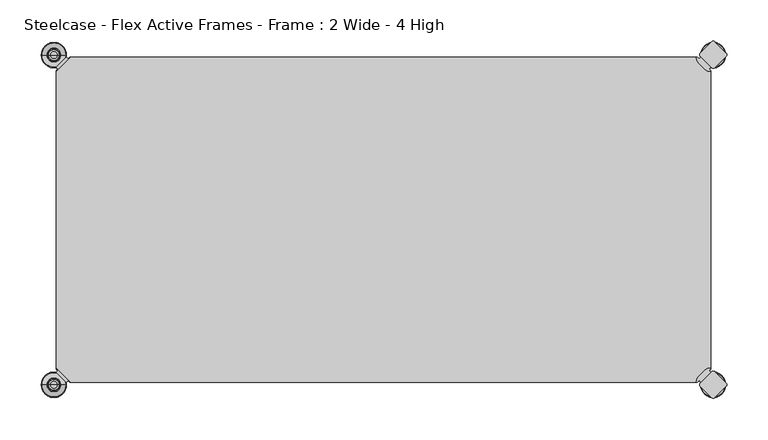
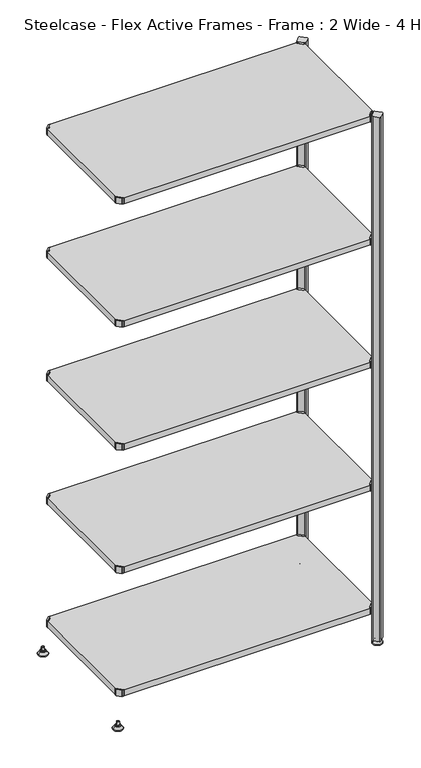
"""IFC4 building model written with IfcOpenShell, lengths in millimetres: furniture geometry, Steelcase - Flex Active Frames - Frame : 2 Wide - 4 High."""

from ifc_helpers import new_model, si_unit, point, frame, frame_2d, origin, place, context, project, spatial, polyline, circle_curve, ellipse_curve, trimmed, segment, composite_curve, outline, extrude, source, transform, mapped, element, save
from ifc_brep_helpers import plane_surface, cylinder_surface, revolved_surface, advanced_brep


def steelcase_flex_active_frames_frame_2_wide_4_high_a52f3125(model_context):
    return source(origin(), model_context, "Body", "SolidModel", [
        advanced_brep(
        [(795.4995166, -396.9286835, 0.0), (809.4482375, -396.9286835, 0.0), (781.5507958, -396.9286835, 0.0), (810.3951451, -396.9286835, 2.116325), (780.6038882, -396.9286835, 2.116325), (804.2429012, -396.9286835, 8.9997406), (786.7561321, -396.9286835, 8.9997406), (802.9003852, -396.9286835, 8.9997406), (788.0986481, -396.9286835, 8.9997406), (802.9003852, -396.9286835, 12.0919909), (788.0986481, -396.9286835, 12.0919909), (802.3923852, -396.9286835, 12.5999909), (788.6066481, -396.9286835, 12.5999909), (799.518847, -396.9286835, 12.5999909), (791.4801863, -396.9286835, 12.5999909), (799.518847, -396.9286835, 22.7146261), (791.4801863, -396.9286835, 22.7146261), (795.4995166, -396.9286835, 22.7146261)],
        [
            (0, 1),
            (1, 2, circle_curve(frame((795.4995166, -396.9286835, 0.0), z_axis=(0.0, 0.0, -1.0), x_axis=(1.0, 0.0, 0.0)), 13.9487209)),
            (2, 0),
            (2, 1, circle_curve(frame((795.4995166, -396.9286835, 0.0), z_axis=(0.0, 0.0, -1.0), x_axis=(1.0, 0.0, 0.0)), 13.9487209)),
            (1, 3, circle_curve(frame((809.4482375, -396.9286835, 1.27), z_axis=(0.0, -1.0, 0.0), x_axis=(1.0, 0.0, 0.0)), 1.27)),
            (3, 4, circle_curve(frame((795.4995166, -396.9286835, 2.116325), z_axis=(0.0, 0.0, -1.0), x_axis=(1.0, 0.0, 0.0)), 14.8956285)),
            (4, 2, circle_curve(frame((781.5507958, -396.9286835, 1.27), z_axis=(0.0, -1.0, 0.0), x_axis=(-1.0, 0.0, 0.0)), 1.27)),
            (4, 3, circle_curve(frame((795.4995166, -396.9286835, 2.116325), z_axis=(0.0, 0.0, -1.0), x_axis=(1.0, 0.0, 0.0)), 14.8956285)),
            (3, 5),
            (5, 6, circle_curve(frame((795.4995166, -396.9286835, 8.9997406), z_axis=(0.0, 0.0, -1.0), x_axis=(1.0, 0.0, 0.0)), 8.7433846)),
            (6, 4),
            (6, 5, circle_curve(frame((795.4995166, -396.9286835, 8.9997406), z_axis=(0.0, 0.0, -1.0), x_axis=(1.0, 0.0, 0.0)), 8.7433846)),
            (5, 7),
            (7, 8, circle_curve(frame((795.4995166, -396.9286835, 8.9997406), z_axis=(0.0, 0.0, -1.0), x_axis=(1.0, 0.0, 0.0)), 7.4008685)),
            (8, 6),
            (8, 7, circle_curve(frame((795.4995166, -396.9286835, 8.9997406), z_axis=(0.0, 0.0, -1.0), x_axis=(1.0, 0.0, 0.0)), 7.4008685)),
            (7, 9),
            (9, 10, circle_curve(frame((795.4995166, -396.9286835, 12.0919909), z_axis=(0.0, 0.0, -1.0), x_axis=(1.0, 0.0, 0.0)), 7.4008685)),
            (10, 8),
            (10, 9, circle_curve(frame((795.4995166, -396.9286835, 12.0919909), z_axis=(0.0, 0.0, -1.0), x_axis=(1.0, 0.0, 0.0)), 7.4008685)),
            (9, 11, circle_curve(frame((802.3923852, -396.9286835, 12.0919909), z_axis=(0.0, -1.0, 0.0), x_axis=(1.0, 0.0, 0.0)), 0.508)),
            (11, 12, circle_curve(frame((795.4995166, -396.9286835, 12.5999909), z_axis=(0.0, 0.0, -1.0), x_axis=(1.0, 0.0, 0.0)), 6.8928685)),
            (12, 10, circle_curve(frame((788.6066481, -396.9286835, 12.0919909), z_axis=(0.0, -1.0, 0.0), x_axis=(-1.0, 0.0, 0.0)), 0.508)),
            (12, 11, circle_curve(frame((795.4995166, -396.9286835, 12.5999909), z_axis=(0.0, 0.0, -1.0), x_axis=(1.0, 0.0, 0.0)), 6.8928685)),
            (11, 13),
            (13, 14, circle_curve(frame((795.4995166, -396.9286835, 12.5999909), z_axis=(0.0, 0.0, -1.0), x_axis=(1.0, 0.0, 0.0)), 4.0193303)),
            (14, 12),
            (14, 13, circle_curve(frame((795.4995166, -396.9286835, 12.5999909), z_axis=(0.0, 0.0, -1.0), x_axis=(1.0, 0.0, 0.0)), 4.0193303)),
            (13, 15),
            (15, 16, circle_curve(frame((795.4995166, -396.9286835, 22.7146261), z_axis=(0.0, 0.0, -1.0), x_axis=(1.0, 0.0, 0.0)), 4.0193303)),
            (16, 14),
            (16, 15, circle_curve(frame((795.4995166, -396.9286835, 22.7146261), z_axis=(0.0, 0.0, -1.0), x_axis=(1.0, 0.0, 0.0)), 4.0193303)),
            (15, 17),
            (17, 16),
        ],
        [
            plane_surface(frame((795.4995166, -396.9286835, 0.0), z_axis=(0.0, 0.0, -1.0), x_axis=(1.0, 0.0, 0.0))),
            revolved_surface(trimmed(ellipse_curve(frame((809.4482375, -396.9286835, 1.27), z_axis=(0.0, 1.0, 0.0), x_axis=(1.0, 0.0, 0.0)), 1.27, 1.27), [point((810.3951451, -396.9286835, 2.116325))], [point((809.4482375, -396.9286835, 0.0))], True, "CARTESIAN"), (795.4995166, -396.9286835, 32.0514718), (0.0, 0.0, -1.0)),
            revolved_surface(polyline([(804.2429012, -396.9286835, 8.9997406), (810.3951451, -396.9286835, 2.116325)]), (795.4995166, -396.9286835, 32.0514718), (0.0, 0.0, -1.0)),
            plane_surface(frame((795.4995166, -396.9286835, 8.9997406), z_axis=(0.0, 0.0, 1.0), x_axis=(1.0, 0.0, 0.0))),
            cylinder_surface(frame((795.4995166, -396.9286835, 32.0514718), z_axis=(0.0, 0.0, -1.0), x_axis=(1.0, 0.0, 0.0)), 7.4008685),
            revolved_surface(trimmed(ellipse_curve(frame((802.3923852, -396.9286835, 12.0919909), z_axis=(0.0, 1.0, 0.0), x_axis=(1.0, 0.0, 0.0)), 0.508, 0.508), [point((802.3923852, -396.9286835, 12.5999909))], [point((802.9003852, -396.9286835, 12.0919909))], True, "CARTESIAN"), (795.4995166, -396.9286835, 32.0514718), (0.0, 0.0, -1.0)),
            plane_surface(frame((795.4995166, -396.9286835, 12.5999909), z_axis=(0.0, 0.0, 1.0), x_axis=(1.0, 0.0, 0.0))),
            cylinder_surface(frame((795.4995166, -396.9286835, 32.0514718), z_axis=(0.0, 0.0, -1.0), x_axis=(1.0, 0.0, 0.0)), 4.0193303),
            plane_surface(frame((795.4995166, -396.9286835, 22.7146261), z_axis=(0.0, 0.0, 1.0), x_axis=(1.0, 0.0, 0.0))),
        ],
        [
            (0, [[1, 2, 3]]),
            (0, [[-3, 4, -1]]),
            (1, [[-2, 5, 6, 7]]),
            (1, [[-4, -7, 8, -5]]),
            (2, [[-6, 9, 10, 11]]),
            (2, [[-8, -11, 12, -9]]),
            (3, [[-10, 13, 14, 15]]),
            (3, [[-12, -15, 16, -13]]),
            (4, [[-14, 17, 18, 19]]),
            (4, [[-16, -19, 20, -17]]),
            (5, [[-18, 21, 22, 23]]),
            (5, [[-20, -23, 24, -21]]),
            (6, [[-22, 25, 26, 27]]),
            (6, [[-24, -27, 28, -25]]),
            (7, [[-26, 29, 30, 31]]),
            (7, [[-28, -31, 32, -29]]),
            (8, [[-30, 33, 34]]),
            (8, [[-32, -34, -33]]),
        ],
    ),
        advanced_brep(
        [(795.4995166, 2.9246323, 0.0), (781.5507958, 2.9246323, 0.0), (809.4482375, 2.9246323, 0.0), (780.6038882, 2.9246323, 2.116325), (810.3951451, 2.9246323, 2.116325), (786.7561321, 2.9246323, 8.9997406), (804.2429012, 2.9246323, 8.9997406), (788.0986481, 2.9246323, 8.9997406), (802.9003852, 2.9246323, 8.9997406), (788.0986481, 2.9246323, 12.0919909), (802.9003852, 2.9246323, 12.0919909), (788.6066481, 2.9246323, 12.5999909), (802.3923852, 2.9246323, 12.5999909), (791.4801863, 2.9246323, 12.5999909), (799.518847, 2.9246323, 12.5999909), (791.4801863, 2.9246323, 22.7146261), (799.518847, 2.9246323, 22.7146261), (795.4995166, 2.9246323, 22.7146261)],
        [
            (0, 1),
            (1, 2, circle_curve(frame((795.4995166, 2.9246323, 0.0), z_axis=(0.0, 0.0, -1.0), x_axis=(1.0, 0.0, 0.0)), 13.9487209)),
            (2, 0),
            (2, 1, circle_curve(frame((795.4995166, 2.9246323, 0.0), z_axis=(0.0, 0.0, -1.0), x_axis=(1.0, 0.0, 0.0)), 13.9487209)),
            (1, 3, circle_curve(frame((781.5507958, 2.9246323, 1.27), z_axis=(0.0, 1.0, 0.0), x_axis=(-1.0, 0.0, 0.0)), 1.27)),
            (3, 4, circle_curve(frame((795.4995166, 2.9246323, 2.116325), z_axis=(0.0, 0.0, -1.0), x_axis=(1.0, 0.0, 0.0)), 14.8956285)),
            (4, 2, circle_curve(frame((809.4482375, 2.9246323, 1.27), z_axis=(0.0, 1.0, 0.0), x_axis=(1.0, 0.0, 0.0)), 1.27)),
            (4, 3, circle_curve(frame((795.4995166, 2.9246323, 2.116325), z_axis=(0.0, 0.0, -1.0), x_axis=(1.0, 0.0, 0.0)), 14.8956285)),
            (3, 5),
            (5, 6, circle_curve(frame((795.4995166, 2.9246323, 8.9997406), z_axis=(0.0, 0.0, -1.0), x_axis=(1.0, 0.0, 0.0)), 8.7433846)),
            (6, 4),
            (6, 5, circle_curve(frame((795.4995166, 2.9246323, 8.9997406), z_axis=(0.0, 0.0, -1.0), x_axis=(1.0, 0.0, 0.0)), 8.7433846)),
            (5, 7),
            (7, 8, circle_curve(frame((795.4995166, 2.9246323, 8.9997406), z_axis=(0.0, 0.0, -1.0), x_axis=(1.0, 0.0, 0.0)), 7.4008685)),
            (8, 6),
            (8, 7, circle_curve(frame((795.4995166, 2.9246323, 8.9997406), z_axis=(0.0, 0.0, -1.0), x_axis=(1.0, 0.0, 0.0)), 7.4008685)),
            (7, 9),
            (9, 10, circle_curve(frame((795.4995166, 2.9246323, 12.0919909), z_axis=(0.0, 0.0, -1.0), x_axis=(1.0, 0.0, 0.0)), 7.4008685)),
            (10, 8),
            (10, 9, circle_curve(frame((795.4995166, 2.9246323, 12.0919909), z_axis=(0.0, 0.0, -1.0), x_axis=(1.0, 0.0, 0.0)), 7.4008685)),
            (9, 11, circle_curve(frame((788.6066481, 2.9246323, 12.0919909), z_axis=(0.0, 1.0, 0.0), x_axis=(-1.0, 0.0, 0.0)), 0.508)),
            (11, 12, circle_curve(frame((795.4995166, 2.9246323, 12.5999909), z_axis=(0.0, 0.0, -1.0), x_axis=(1.0, 0.0, 0.0)), 6.8928685)),
            (12, 10, circle_curve(frame((802.3923852, 2.9246323, 12.0919909), z_axis=(0.0, 1.0, 0.0), x_axis=(1.0, 0.0, 0.0)), 0.508)),
            (12, 11, circle_curve(frame((795.4995166, 2.9246323, 12.5999909), z_axis=(0.0, 0.0, -1.0), x_axis=(1.0, 0.0, 0.0)), 6.8928685)),
            (11, 13),
            (13, 14, circle_curve(frame((795.4995166, 2.9246323, 12.5999909), z_axis=(0.0, 0.0, -1.0), x_axis=(1.0, 0.0, 0.0)), 4.0193303)),
            (14, 12),
            (14, 13, circle_curve(frame((795.4995166, 2.9246323, 12.5999909), z_axis=(0.0, 0.0, -1.0), x_axis=(1.0, 0.0, 0.0)), 4.0193303)),
            (13, 15),
            (15, 16, circle_curve(frame((795.4995166, 2.9246323, 22.7146261), z_axis=(0.0, 0.0, -1.0), x_axis=(1.0, 0.0, 0.0)), 4.0193303)),
            (16, 14),
            (16, 15, circle_curve(frame((795.4995166, 2.9246323, 22.7146261), z_axis=(0.0, 0.0, -1.0), x_axis=(1.0, 0.0, 0.0)), 4.0193303)),
            (15, 17),
            (17, 16),
        ],
        [
            plane_surface(frame((795.4995166, 2.9246323, 0.0), z_axis=(0.0, 0.0, -1.0), x_axis=(1.0, 0.0, 0.0))),
            revolved_surface(trimmed(ellipse_curve(frame((809.4482375, 2.9246323, 1.27), z_axis=(0.0, 1.0, 0.0), x_axis=(1.0, 0.0, 0.0)), 1.27, 1.27), [point((810.3951451, 2.9246323, 2.116325))], [point((809.4482375, 2.9246323, 0.0))], True, "CARTESIAN"), (795.4995166, 2.9246323, 32.0514718), (0.0, 0.0, -1.0)),
            revolved_surface(polyline([(804.2429012, 2.9246323, 8.9997406), (810.3951451, 2.9246323, 2.116325)]), (795.4995166, 2.9246323, 32.0514718), (0.0, 0.0, -1.0)),
            plane_surface(frame((795.4995166, 2.9246323, 8.9997406), z_axis=(0.0, 0.0, 1.0), x_axis=(1.0, 0.0, 0.0))),
            cylinder_surface(frame((795.4995166, 2.9246323, 32.0514718), z_axis=(0.0, 0.0, -1.0), x_axis=(1.0, 0.0, 0.0)), 7.4008685),
            revolved_surface(trimmed(ellipse_curve(frame((802.3923852, 2.9246323, 12.0919909), z_axis=(0.0, 1.0, 0.0), x_axis=(1.0, 0.0, 0.0)), 0.508, 0.508), [point((802.3923852, 2.9246323, 12.5999909))], [point((802.9003852, 2.9246323, 12.0919909))], True, "CARTESIAN"), (795.4995166, 2.9246323, 32.0514718), (0.0, 0.0, -1.0)),
            plane_surface(frame((795.4995166, 2.9246323, 12.5999909), z_axis=(0.0, 0.0, 1.0), x_axis=(1.0, 0.0, 0.0))),
            cylinder_surface(frame((795.4995166, 2.9246323, 32.0514718), z_axis=(0.0, 0.0, -1.0), x_axis=(1.0, 0.0, 0.0)), 4.0193303),
            plane_surface(frame((795.4995166, 2.9246323, 22.7146261), z_axis=(0.0, 0.0, 1.0), x_axis=(1.0, 0.0, 0.0))),
        ],
        [
            (0, [[1, 2, 3]]),
            (0, [[-3, 4, -1]]),
            (1, [[5, 6, 7, -2]]),
            (1, [[-7, 8, -5, -4]]),
            (2, [[9, 10, 11, -6]]),
            (2, [[-11, 12, -9, -8]]),
            (3, [[13, 14, 15, -10]]),
            (3, [[-15, 16, -13, -12]]),
            (4, [[17, 18, 19, -14]]),
            (4, [[-19, 20, -17, -16]]),
            (5, [[21, 22, 23, -18]]),
            (5, [[-23, 24, -21, -20]]),
            (6, [[25, 26, 27, -22]]),
            (6, [[-27, 28, -25, -24]]),
            (7, [[29, 30, 31, -26]]),
            (7, [[-31, 32, -29, -28]]),
            (8, [[33, 34, -30]]),
            (8, [[-34, -33, -32]]),
        ],
    ),
        advanced_brep(
        [(-3.0195166, -396.8786323, 0.0), (10.9292042, -396.8786323, 0.0), (-16.9682375, -396.8786323, 0.0), (11.8761118, -396.8786323, 2.116325), (-17.9151451, -396.8786323, 2.116325), (5.7238679, -396.8786323, 8.9997406), (-11.7629012, -396.8786323, 8.9997406), (4.3813519, -396.8786323, 8.9997406), (-10.4203852, -396.8786323, 8.9997406), (4.3813519, -396.8786323, 12.0919909), (-10.4203852, -396.8786323, 12.0919909), (3.8733519, -396.8786323, 12.5999909), (-9.9123852, -396.8786323, 12.5999909), (0.9998137, -396.8786323, 12.5999909), (-7.038847, -396.8786323, 12.5999909), (0.9998137, -396.8786323, 22.7146261), (-7.038847, -396.8786323, 22.7146261), (-3.0195166, -396.8786323, 22.7146261)],
        [
            (0, 1),
            (1, 2, circle_curve(frame((-3.0195166, -396.8786323, 0.0), z_axis=(0.0, 0.0, -1.0), x_axis=(-1.0, 0.0, 0.0)), 13.9487209)),
            (2, 0),
            (2, 1, circle_curve(frame((-3.0195166, -396.8786323, 0.0), z_axis=(0.0, 0.0, -1.0), x_axis=(-1.0, 0.0, 0.0)), 13.9487209)),
            (1, 3, circle_curve(frame((10.9292042, -396.8786323, 1.27), z_axis=(0.0, -1.0, 0.0), x_axis=(1.0, 0.0, 0.0)), 1.27)),
            (3, 4, circle_curve(frame((-3.0195166, -396.8786323, 2.116325), z_axis=(0.0, 0.0, -1.0), x_axis=(-1.0, 0.0, 0.0)), 14.8956285)),
            (4, 2, circle_curve(frame((-16.9682375, -396.8786323, 1.27), z_axis=(0.0, -1.0, 0.0), x_axis=(-1.0, 0.0, 0.0)), 1.27)),
            (4, 3, circle_curve(frame((-3.0195166, -396.8786323, 2.116325), z_axis=(0.0, 0.0, -1.0), x_axis=(-1.0, 0.0, 0.0)), 14.8956285)),
            (3, 5),
            (5, 6, circle_curve(frame((-3.0195166, -396.8786323, 8.9997406), z_axis=(0.0, 0.0, -1.0), x_axis=(-1.0, 0.0, 0.0)), 8.7433846)),
            (6, 4),
            (6, 5, circle_curve(frame((-3.0195166, -396.8786323, 8.9997406), z_axis=(0.0, 0.0, -1.0), x_axis=(-1.0, 0.0, 0.0)), 8.7433846)),
            (5, 7),
            (7, 8, circle_curve(frame((-3.0195166, -396.8786323, 8.9997406), z_axis=(0.0, 0.0, -1.0), x_axis=(-1.0, 0.0, 0.0)), 7.4008685)),
            (8, 6),
            (8, 7, circle_curve(frame((-3.0195166, -396.8786323, 8.9997406), z_axis=(0.0, 0.0, -1.0), x_axis=(-1.0, 0.0, 0.0)), 7.4008685)),
            (7, 9),
            (9, 10, circle_curve(frame((-3.0195166, -396.8786323, 12.0919909), z_axis=(0.0, 0.0, -1.0), x_axis=(-1.0, 0.0, 0.0)), 7.4008685)),
            (10, 8),
            (10, 9, circle_curve(frame((-3.0195166, -396.8786323, 12.0919909), z_axis=(0.0, 0.0, -1.0), x_axis=(-1.0, 0.0, 0.0)), 7.4008685)),
            (9, 11, circle_curve(frame((3.8733519, -396.8786323, 12.0919909), z_axis=(0.0, -1.0, 0.0), x_axis=(1.0, 0.0, 0.0)), 0.508)),
            (11, 12, circle_curve(frame((-3.0195166, -396.8786323, 12.5999909), z_axis=(0.0, 0.0, -1.0), x_axis=(-1.0, 0.0, 0.0)), 6.8928685)),
            (12, 10, circle_curve(frame((-9.9123852, -396.8786323, 12.0919909), z_axis=(0.0, -1.0, 0.0), x_axis=(-1.0, 0.0, 0.0)), 0.508)),
            (12, 11, circle_curve(frame((-3.0195166, -396.8786323, 12.5999909), z_axis=(0.0, 0.0, -1.0), x_axis=(-1.0, 0.0, 0.0)), 6.8928685)),
            (11, 13),
            (13, 14, circle_curve(frame((-3.0195166, -396.8786323, 12.5999909), z_axis=(0.0, 0.0, -1.0), x_axis=(-1.0, 0.0, 0.0)), 4.0193303)),
            (14, 12),
            (14, 13, circle_curve(frame((-3.0195166, -396.8786323, 12.5999909), z_axis=(0.0, 0.0, -1.0), x_axis=(-1.0, 0.0, 0.0)), 4.0193303)),
            (13, 15),
            (15, 16, circle_curve(frame((-3.0195166, -396.8786323, 22.7146261), z_axis=(0.0, 0.0, -1.0), x_axis=(-1.0, 0.0, 0.0)), 4.0193303)),
            (16, 14),
            (16, 15, circle_curve(frame((-3.0195166, -396.8786323, 22.7146261), z_axis=(0.0, 0.0, -1.0), x_axis=(-1.0, 0.0, 0.0)), 4.0193303)),
            (15, 17),
            (17, 16),
        ],
        [
            plane_surface(frame((-3.0195166, -396.8786323, 0.0), z_axis=(0.0, 0.0, -1.0), x_axis=(-1.0, 0.0, 0.0))),
            revolved_surface(trimmed(ellipse_curve(frame((-16.9682375, -396.8786323, 1.27), z_axis=(0.0, -1.0, 0.0), x_axis=(-1.0, 0.0, 0.0)), 1.27, 1.27), [point((-17.9151451, -396.8786323, 2.116325))], [point((-16.9682375, -396.8786323, 0.0))], True, "CARTESIAN"), (-3.0195166, -396.8786323, 32.0514718), (0.0, 0.0, -1.0)),
            revolved_surface(polyline([(-11.7629012, -396.8786323, 8.9997406), (-17.9151451, -396.8786323, 2.116325)]), (-3.0195166, -396.8786323, 32.0514718), (0.0, 0.0, -1.0)),
            plane_surface(frame((-3.0195166, -396.8786323, 8.9997406), z_axis=(0.0, 0.0, 1.0), x_axis=(-1.0, 0.0, 0.0))),
            cylinder_surface(frame((-3.0195166, -396.8786323, 32.0514718), z_axis=(0.0, 0.0, -1.0), x_axis=(-1.0, 0.0, 0.0)), 7.4008685),
            revolved_surface(trimmed(ellipse_curve(frame((-9.9123852, -396.8786323, 12.0919909), z_axis=(0.0, -1.0, 0.0), x_axis=(-1.0, 0.0, 0.0)), 0.508, 0.508), [point((-9.9123852, -396.8786323, 12.5999909))], [point((-10.4203852, -396.8786323, 12.0919909))], True, "CARTESIAN"), (-3.0195166, -396.8786323, 32.0514718), (0.0, 0.0, -1.0)),
            plane_surface(frame((-3.0195166, -396.8786323, 12.5999909), z_axis=(0.0, 0.0, 1.0), x_axis=(-1.0, 0.0, 0.0))),
            cylinder_surface(frame((-3.0195166, -396.8786323, 32.0514718), z_axis=(0.0, 0.0, -1.0), x_axis=(-1.0, 0.0, 0.0)), 4.0193303),
            plane_surface(frame((-3.0195166, -396.8786323, 22.7146261), z_axis=(0.0, 0.0, 1.0), x_axis=(-1.0, 0.0, 0.0))),
        ],
        [
            (0, [[1, 2, 3]]),
            (0, [[-3, 4, -1]]),
            (1, [[5, 6, 7, -2]]),
            (1, [[-7, 8, -5, -4]]),
            (2, [[9, 10, 11, -6]]),
            (2, [[-11, 12, -9, -8]]),
            (3, [[13, 14, 15, -10]]),
            (3, [[-15, 16, -13, -12]]),
            (4, [[17, 18, 19, -14]]),
            (4, [[-19, 20, -17, -16]]),
            (5, [[21, 22, 23, -18]]),
            (5, [[-23, 24, -21, -20]]),
            (6, [[25, 26, 27, -22]]),
            (6, [[-27, 28, -25, -24]]),
            (7, [[29, 30, 31, -26]]),
            (7, [[-31, 32, -29, -28]]),
            (8, [[33, 34, -30]]),
            (8, [[-34, -33, -32]]),
        ],
    ),
        advanced_brep(
        [(-3.0195166, 2.9246323, 0.0), (-16.9682375, 2.9246323, 0.0), (10.9292042, 2.9246323, 0.0), (-17.9151451, 2.9246323, 2.116325), (11.8761118, 2.9246323, 2.116325), (-11.7629012, 2.9246323, 8.9997406), (5.7238679, 2.9246323, 8.9997406), (-10.4203852, 2.9246323, 8.9997406), (4.3813519, 2.9246323, 8.9997406), (-10.4203852, 2.9246323, 12.0919909), (4.3813519, 2.9246323, 12.0919909), (-9.9123852, 2.9246323, 12.5999909), (3.8733519, 2.9246323, 12.5999909), (-7.038847, 2.9246323, 12.5999909), (0.9998137, 2.9246323, 12.5999909), (-7.038847, 2.9246323, 22.7146261), (0.9998137, 2.9246323, 22.7146261), (-3.0195166, 2.9246323, 22.7146261)],
        [
            (0, 1),
            (1, 2, circle_curve(frame((-3.0195166, 2.9246323, 0.0), z_axis=(0.0, 0.0, -1.0), x_axis=(-1.0, 0.0, 0.0)), 13.9487209)),
            (2, 0),
            (2, 1, circle_curve(frame((-3.0195166, 2.9246323, 0.0), z_axis=(0.0, 0.0, -1.0), x_axis=(-1.0, 0.0, 0.0)), 13.9487209)),
            (1, 3, circle_curve(frame((-16.9682375, 2.9246323, 1.27), z_axis=(0.0, 1.0, 0.0), x_axis=(-1.0, 0.0, 0.0)), 1.27)),
            (3, 4, circle_curve(frame((-3.0195166, 2.9246323, 2.116325), z_axis=(0.0, 0.0, -1.0), x_axis=(-1.0, 0.0, 0.0)), 14.8956285)),
            (4, 2, circle_curve(frame((10.9292042, 2.9246323, 1.27), z_axis=(0.0, 1.0, 0.0), x_axis=(1.0, 0.0, 0.0)), 1.27)),
            (4, 3, circle_curve(frame((-3.0195166, 2.9246323, 2.116325), z_axis=(0.0, 0.0, -1.0), x_axis=(-1.0, 0.0, 0.0)), 14.8956285)),
            (3, 5),
            (5, 6, circle_curve(frame((-3.0195166, 2.9246323, 8.9997406), z_axis=(0.0, 0.0, -1.0), x_axis=(-1.0, 0.0, 0.0)), 8.7433846)),
            (6, 4),
            (6, 5, circle_curve(frame((-3.0195166, 2.9246323, 8.9997406), z_axis=(0.0, 0.0, -1.0), x_axis=(-1.0, 0.0, 0.0)), 8.7433846)),
            (5, 7),
            (7, 8, circle_curve(frame((-3.0195166, 2.9246323, 8.9997406), z_axis=(0.0, 0.0, -1.0), x_axis=(-1.0, 0.0, 0.0)), 7.4008685)),
            (8, 6),
            (8, 7, circle_curve(frame((-3.0195166, 2.9246323, 8.9997406), z_axis=(0.0, 0.0, -1.0), x_axis=(-1.0, 0.0, 0.0)), 7.4008685)),
            (7, 9),
            (9, 10, circle_curve(frame((-3.0195166, 2.9246323, 12.0919909), z_axis=(0.0, 0.0, -1.0), x_axis=(-1.0, 0.0, 0.0)), 7.4008685)),
            (10, 8),
            (10, 9, circle_curve(frame((-3.0195166, 2.9246323, 12.0919909), z_axis=(0.0, 0.0, -1.0), x_axis=(-1.0, 0.0, 0.0)), 7.4008685)),
            (9, 11, circle_curve(frame((-9.9123852, 2.9246323, 12.0919909), z_axis=(0.0, 1.0, 0.0), x_axis=(-1.0, 0.0, 0.0)), 0.508)),
            (11, 12, circle_curve(frame((-3.0195166, 2.9246323, 12.5999909), z_axis=(0.0, 0.0, -1.0), x_axis=(-1.0, 0.0, 0.0)), 6.8928685)),
            (12, 10, circle_curve(frame((3.8733519, 2.9246323, 12.0919909), z_axis=(0.0, 1.0, 0.0), x_axis=(1.0, 0.0, 0.0)), 0.508)),
            (12, 11, circle_curve(frame((-3.0195166, 2.9246323, 12.5999909), z_axis=(0.0, 0.0, -1.0), x_axis=(-1.0, 0.0, 0.0)), 6.8928685)),
            (11, 13),
            (13, 14, circle_curve(frame((-3.0195166, 2.9246323, 12.5999909), z_axis=(0.0, 0.0, -1.0), x_axis=(-1.0, 0.0, 0.0)), 4.0193303)),
            (14, 12),
            (14, 13, circle_curve(frame((-3.0195166, 2.9246323, 12.5999909), z_axis=(0.0, 0.0, -1.0), x_axis=(-1.0, 0.0, 0.0)), 4.0193303)),
            (13, 15),
            (15, 16, circle_curve(frame((-3.0195166, 2.9246323, 22.7146261), z_axis=(0.0, 0.0, -1.0), x_axis=(-1.0, 0.0, 0.0)), 4.0193303)),
            (16, 14),
            (16, 15, circle_curve(frame((-3.0195166, 2.9246323, 22.7146261), z_axis=(0.0, 0.0, -1.0), x_axis=(-1.0, 0.0, 0.0)), 4.0193303)),
            (15, 17),
            (17, 16),
        ],
        [
            plane_surface(frame((-3.0195166, 2.9246323, 0.0), z_axis=(0.0, 0.0, -1.0), x_axis=(-1.0, 0.0, 0.0))),
            revolved_surface(trimmed(ellipse_curve(frame((-16.9682375, 2.9246323, 1.27), z_axis=(0.0, -1.0, 0.0), x_axis=(-1.0, 0.0, 0.0)), 1.27, 1.27), [point((-17.9151451, 2.9246323, 2.116325))], [point((-16.9682375, 2.9246323, 0.0))], True, "CARTESIAN"), (-3.0195166, 2.9246323, 32.0514718), (0.0, 0.0, -1.0)),
            revolved_surface(polyline([(-11.7629012, 2.9246323, 8.9997406), (-17.9151451, 2.9246323, 2.116325)]), (-3.0195166, 2.9246323, 32.0514718), (0.0, 0.0, -1.0)),
            plane_surface(frame((-3.0195166, 2.9246323, 8.9997406), z_axis=(0.0, 0.0, 1.0), x_axis=(-1.0, 0.0, 0.0))),
            cylinder_surface(frame((-3.0195166, 2.9246323, 32.0514718), z_axis=(0.0, 0.0, -1.0), x_axis=(-1.0, 0.0, 0.0)), 7.4008685),
            revolved_surface(trimmed(ellipse_curve(frame((-9.9123852, 2.9246323, 12.0919909), z_axis=(0.0, -1.0, 0.0), x_axis=(-1.0, 0.0, 0.0)), 0.508, 0.508), [point((-9.9123852, 2.9246323, 12.5999909))], [point((-10.4203852, 2.9246323, 12.0919909))], True, "CARTESIAN"), (-3.0195166, 2.9246323, 32.0514718), (0.0, 0.0, -1.0)),
            plane_surface(frame((-3.0195166, 2.9246323, 12.5999909), z_axis=(0.0, 0.0, 1.0), x_axis=(-1.0, 0.0, 0.0))),
            cylinder_surface(frame((-3.0195166, 2.9246323, 32.0514718), z_axis=(0.0, 0.0, -1.0), x_axis=(-1.0, 0.0, 0.0)), 4.0193303),
            plane_surface(frame((-3.0195166, 2.9246323, 22.7146261), z_axis=(0.0, 0.0, 1.0), x_axis=(-1.0, 0.0, 0.0))),
        ],
        [
            (0, [[1, 2, 3]]),
            (0, [[-3, 4, -1]]),
            (1, [[-2, 5, 6, 7]]),
            (1, [[-4, -7, 8, -5]]),
            (2, [[-6, 9, 10, 11]]),
            (2, [[-8, -11, 12, -9]]),
            (3, [[-10, 13, 14, 15]]),
            (3, [[-12, -15, 16, -13]]),
            (4, [[-14, 17, 18, 19]]),
            (4, [[-16, -19, 20, -17]]),
            (5, [[-18, 21, 22, 23]]),
            (5, [[-20, -23, 24, -21]]),
            (6, [[-22, 25, 26, 27]]),
            (6, [[-24, -27, 28, -25]]),
            (7, [[-26, 29, 30, 31]]),
            (7, [[-28, -31, 32, -29]]),
            (8, [[-30, 33, 34]]),
            (8, [[-32, -34, -33]]),
        ],
    ),
        extrude(outline(composite_curve([segment(polyline([(778.3364357, -1.93874), (780.4244011, 0.1493247), (792.6187028, -12.044977), (790.530772, -14.1329326), (792.5017057, -16.1038431), (792.4895198, -17.203916), (789.7543812, -16.8384277)]), True, "CONTINUOUS"), segment(trimmed(circle_curve(frame_2d((790.5954366, -10.5443729)), 6.35), [point((789.7543812, -16.8384277))], [point((786.1052784, -15.0344708))], False, "CARTESIAN"), True, "CONTINUOUS"), segment(polyline([(786.1052784, -15.0344708), (777.4359854, -6.3650612)]), True, "CONTINUOUS"), segment(trimmed(circle_curve(frame_2d((781.9261436, -1.8749633)), 6.35), [point((777.4359854, -6.3650612))], [point((775.6321123, -2.7161946))], False, "CARTESIAN"), True, "CONTINUOUS"), segment(polyline([(775.6321123, -2.7161946), (775.26654, 0.0189911), (776.3664729, 0.0311996), (778.3364357, -1.93874)]), True, "CONTINUOUS")], self_intersect=False)), frame((0.0, 0.0, 1696.4822044), z_axis=(0.0, 0.0, 1.0), x_axis=(1.0, 0.0, 0.0)), (0.0, 0.0, 1.0), 20.2281258),
        extrude(outline(composite_curve([segment(polyline([(778.3364357, -392.01526), (776.3664729, -393.9851996), (775.26654, -393.9729911), (775.6321123, -391.2378054)]), True, "CONTINUOUS"), segment(trimmed(circle_curve(frame_2d((781.9261436, -392.0790367)), 6.35), [point((775.6321123, -391.2378054))], [point((777.4359854, -387.5889388))], False, "CARTESIAN"), True, "CONTINUOUS"), segment(polyline([(777.4359854, -387.5889388), (786.1052784, -378.9195292)]), True, "CONTINUOUS"), segment(trimmed(circle_curve(frame_2d((790.5954366, -383.4096271)), 6.35), [point((786.1052784, -378.9195292))], [point((789.7543812, -377.1155723))], False, "CARTESIAN"), True, "CONTINUOUS"), segment(polyline([(789.7543812, -377.1155723), (792.4895198, -376.750084), (792.5017057, -377.8501569), (790.530772, -379.8210674), (792.6187028, -381.909023), (780.4244011, -394.1033247), (778.3364357, -392.01526)]), True, "CONTINUOUS")], self_intersect=False)), frame((0.0, 0.0, 1696.4822044), z_axis=(0.0, 0.0, 1.0), x_axis=(1.0, 0.0, 0.0)), (0.0, 0.0, 1.0), 20.2281258),
        extrude(outline(polyline([(0.0003876, -376.7599914), (0.0003876, -17.1940086), (17.1943962, 0.0), (775.2856038, 0.0), (792.4796124, -17.1940086), (792.4796124, -376.7599914), (775.2856038, -393.954), (17.1943962, -393.954), (0.0003876, -376.7599914)])), frame((0.0, 0.0, 1697.4996811), z_axis=(0.0, 0.0, 1.0), x_axis=(1.0, 0.0, 0.0)), (0.0, 0.0, 1.0), 19.0000031),
        extrude(outline(composite_curve([segment(polyline([(14.1435643, -1.93874), (16.1135271, 0.0311996), (17.21346, 0.0189911), (16.8478877, -2.7161946)]), True, "CONTINUOUS"), segment(trimmed(circle_curve(frame_2d((10.5538564, -1.8749633)), 6.35), [point((16.8478877, -2.7161946))], [point((15.0440146, -6.3650612))], False, "CARTESIAN"), True, "CONTINUOUS"), segment(polyline([(15.0440146, -6.3650612), (6.3747216, -15.0344708)]), True, "CONTINUOUS"), segment(trimmed(circle_curve(frame_2d((1.8845634, -10.5443729)), 6.35), [point((6.3747216, -15.0344708))], [point((2.7256188, -16.8384277))], False, "CARTESIAN"), True, "CONTINUOUS"), segment(polyline([(2.7256188, -16.8384277), (-0.0095198, -17.203916), (-0.0217057, -16.1038431), (1.949228, -14.1329326), (-0.1387028, -12.044977), (12.0555989, 0.1493247), (14.1435643, -1.93874)]), True, "CONTINUOUS")], self_intersect=False)), frame((0.0, 0.0, 1696.4822044), z_axis=(0.0, 0.0, 1.0), x_axis=(1.0, 0.0, 0.0)), (0.0, 0.0, 1.0), 20.2281258),
        extrude(outline(composite_curve([segment(polyline([(14.1435643, -392.01526), (12.0555989, -394.1033247), (-0.1387028, -381.909023), (1.949228, -379.8210674), (-0.0217057, -377.8501569), (-0.0095198, -376.750084), (2.7256188, -377.1155723)]), True, "CONTINUOUS"), segment(trimmed(circle_curve(frame_2d((1.8845634, -383.4096271)), 6.35), [point((2.7256188, -377.1155723))], [point((6.3747216, -378.9195292))], False, "CARTESIAN"), True, "CONTINUOUS"), segment(polyline([(6.3747216, -378.9195292), (15.0440146, -387.5889388)]), True, "CONTINUOUS"), segment(trimmed(circle_curve(frame_2d((10.5538564, -392.0790367)), 6.35), [point((15.0440146, -387.5889388))], [point((16.8478877, -391.2378054))], False, "CARTESIAN"), True, "CONTINUOUS"), segment(polyline([(16.8478877, -391.2378054), (17.21346, -393.9729911), (16.1135271, -393.9851996), (14.1435643, -392.01526)]), True, "CONTINUOUS")], self_intersect=False)), frame((0.0, 0.0, 1696.4822044), z_axis=(0.0, 0.0, 1.0), x_axis=(1.0, 0.0, 0.0)), (0.0, 0.0, 1.0), 20.2281258),
        extrude(outline(composite_curve([segment(polyline([(778.3364357, -1.93874), (780.4244011, 0.1493247), (792.6187028, -12.044977), (790.530772, -14.1329326), (792.5017057, -16.1038431), (792.4895198, -17.203916), (789.7543812, -16.8384277)]), True, "CONTINUOUS"), segment(trimmed(circle_curve(frame_2d((790.5954366, -10.5443729)), 6.35), [point((789.7543812, -16.8384277))], [point((786.1052784, -15.0344708))], False, "CARTESIAN"), True, "CONTINUOUS"), segment(polyline([(786.1052784, -15.0344708), (777.4359854, -6.3650612)]), True, "CONTINUOUS"), segment(trimmed(circle_curve(frame_2d((781.9261436, -1.8749633)), 6.35), [point((777.4359854, -6.3650612))], [point((775.6321123, -2.7161946))], False, "CARTESIAN"), True, "CONTINUOUS"), segment(polyline([(775.6321123, -2.7161946), (775.26654, 0.0189911), (776.3664729, 0.0311996), (778.3364357, -1.93874)]), True, "CONTINUOUS")], self_intersect=False)), frame((0.0, 0.0, 1296.4822014), z_axis=(0.0, 0.0, 1.0), x_axis=(1.0, 0.0, 0.0)), (0.0, 0.0, 1.0), 20.2281258),
        extrude(outline(composite_curve([segment(polyline([(778.3364357, -392.01526), (776.3664729, -393.9851996), (775.26654, -393.9729911), (775.6321123, -391.2378054)]), True, "CONTINUOUS"), segment(trimmed(circle_curve(frame_2d((781.9261436, -392.0790367)), 6.35), [point((775.6321123, -391.2378054))], [point((777.4359854, -387.5889388))], False, "CARTESIAN"), True, "CONTINUOUS"), segment(polyline([(777.4359854, -387.5889388), (786.1052784, -378.9195292)]), True, "CONTINUOUS"), segment(trimmed(circle_curve(frame_2d((790.5954366, -383.4096271)), 6.35), [point((786.1052784, -378.9195292))], [point((789.7543812, -377.1155723))], False, "CARTESIAN"), True, "CONTINUOUS"), segment(polyline([(789.7543812, -377.1155723), (792.4895198, -376.750084), (792.5017057, -377.8501569), (790.530772, -379.8210674), (792.6187028, -381.909023), (780.4244011, -394.1033247), (778.3364357, -392.01526)]), True, "CONTINUOUS")], self_intersect=False)), frame((0.0, 0.0, 1296.4822014), z_axis=(0.0, 0.0, 1.0), x_axis=(1.0, 0.0, 0.0)), (0.0, 0.0, 1.0), 20.2281258),
        extrude(outline(polyline([(0.0003876, -376.7599914), (0.0003876, -17.1940086), (17.1943962, 0.0), (775.2856038, 0.0), (792.4796124, -17.1940086), (792.4796124, -376.7599914), (775.2856038, -393.954), (17.1943962, -393.954), (0.0003876, -376.7599914)])), frame((0.0, 0.0, 1297.499678), z_axis=(0.0, 0.0, 1.0), x_axis=(1.0, 0.0, 0.0)), (0.0, 0.0, 1.0), 19.0000031),
        extrude(outline(composite_curve([segment(polyline([(14.1435643, -1.93874), (16.1135271, 0.0311996), (17.21346, 0.0189911), (16.8478877, -2.7161946)]), True, "CONTINUOUS"), segment(trimmed(circle_curve(frame_2d((10.5538564, -1.8749633)), 6.35), [point((16.8478877, -2.7161946))], [point((15.0440146, -6.3650612))], False, "CARTESIAN"), True, "CONTINUOUS"), segment(polyline([(15.0440146, -6.3650612), (6.3747216, -15.0344708)]), True, "CONTINUOUS"), segment(trimmed(circle_curve(frame_2d((1.8845634, -10.5443729)), 6.35), [point((6.3747216, -15.0344708))], [point((2.7256188, -16.8384277))], False, "CARTESIAN"), True, "CONTINUOUS"), segment(polyline([(2.7256188, -16.8384277), (-0.0095198, -17.203916), (-0.0217057, -16.1038431), (1.949228, -14.1329326), (-0.1387028, -12.044977), (12.0555989, 0.1493247), (14.1435643, -1.93874)]), True, "CONTINUOUS")], self_intersect=False)), frame((0.0, 0.0, 1296.4822014), z_axis=(0.0, 0.0, 1.0), x_axis=(1.0, 0.0, 0.0)), (0.0, 0.0, 1.0), 20.2281258),
        extrude(outline(composite_curve([segment(polyline([(14.1435643, -392.01526), (12.0555989, -394.1033247), (-0.1387028, -381.909023), (1.949228, -379.8210674), (-0.0217057, -377.8501569), (-0.0095198, -376.750084), (2.7256188, -377.1155723)]), True, "CONTINUOUS"), segment(trimmed(circle_curve(frame_2d((1.8845634, -383.4096271)), 6.35), [point((2.7256188, -377.1155723))], [point((6.3747216, -378.9195292))], False, "CARTESIAN"), True, "CONTINUOUS"), segment(polyline([(6.3747216, -378.9195292), (15.0440146, -387.5889388)]), True, "CONTINUOUS"), segment(trimmed(circle_curve(frame_2d((10.5538564, -392.0790367)), 6.35), [point((15.0440146, -387.5889388))], [point((16.8478877, -391.2378054))], False, "CARTESIAN"), True, "CONTINUOUS"), segment(polyline([(16.8478877, -391.2378054), (17.21346, -393.9729911), (16.1135271, -393.9851996), (14.1435643, -392.01526)]), True, "CONTINUOUS")], self_intersect=False)), frame((0.0, 0.0, 1296.4822014), z_axis=(0.0, 0.0, 1.0), x_axis=(1.0, 0.0, 0.0)), (0.0, 0.0, 1.0), 20.2281258),
        extrude(outline(composite_curve([segment(polyline([(778.3364357, -1.93874), (780.4244011, 0.1493247), (792.6187028, -12.044977), (790.530772, -14.1329326), (792.5017057, -16.1038431), (792.4895198, -17.203916), (789.7543812, -16.8384277)]), True, "CONTINUOUS"), segment(trimmed(circle_curve(frame_2d((790.5954366, -10.5443729)), 6.35), [point((789.7543812, -16.8384277))], [point((786.1052784, -15.0344708))], False, "CARTESIAN"), True, "CONTINUOUS"), segment(polyline([(786.1052784, -15.0344708), (777.4359854, -6.3650612)]), True, "CONTINUOUS"), segment(trimmed(circle_curve(frame_2d((781.9261436, -1.8749633)), 6.35), [point((777.4359854, -6.3650612))], [point((775.6321123, -2.7161946))], False, "CARTESIAN"), True, "CONTINUOUS"), segment(polyline([(775.6321123, -2.7161946), (775.26654, 0.0189911), (776.3664729, 0.0311996), (778.3364357, -1.93874)]), True, "CONTINUOUS")], self_intersect=False)), frame((0.0, 0.0, 896.4822952), z_axis=(0.0, 0.0, 1.0), x_axis=(1.0, 0.0, 0.0)), (0.0, 0.0, 1.0), 20.2281258),
        extrude(outline(composite_curve([segment(polyline([(778.3364357, -392.01526), (776.3664729, -393.9851996), (775.26654, -393.9729911), (775.6321123, -391.2378054)]), True, "CONTINUOUS"), segment(trimmed(circle_curve(frame_2d((781.9261436, -392.0790367)), 6.35), [point((775.6321123, -391.2378054))], [point((777.4359854, -387.5889388))], False, "CARTESIAN"), True, "CONTINUOUS"), segment(polyline([(777.4359854, -387.5889388), (786.1052784, -378.9195292)]), True, "CONTINUOUS"), segment(trimmed(circle_curve(frame_2d((790.5954366, -383.4096271)), 6.35), [point((786.1052784, -378.9195292))], [point((789.7543812, -377.1155723))], False, "CARTESIAN"), True, "CONTINUOUS"), segment(polyline([(789.7543812, -377.1155723), (792.4895198, -376.750084), (792.5017057, -377.8501569), (790.530772, -379.8210674), (792.6187028, -381.909023), (780.4244011, -394.1033247), (778.3364357, -392.01526)]), True, "CONTINUOUS")], self_intersect=False)), frame((0.0, 0.0, 896.4822952), z_axis=(0.0, 0.0, 1.0), x_axis=(1.0, 0.0, 0.0)), (0.0, 0.0, 1.0), 20.2281258),
        extrude(outline(composite_curve([segment(polyline([(778.3364357, -1.93874), (780.4244011, 0.1493247), (792.6187028, -12.044977), (790.530772, -14.1329326), (792.5017057, -16.1038431), (792.4895198, -17.203916), (789.7543812, -16.8384277)]), True, "CONTINUOUS"), segment(trimmed(circle_curve(frame_2d((790.5954366, -10.5443729)), 6.35), [point((789.7543812, -16.8384277))], [point((786.1052784, -15.0344708))], False, "CARTESIAN"), True, "CONTINUOUS"), segment(polyline([(786.1052784, -15.0344708), (777.4359854, -6.3650612)]), True, "CONTINUOUS"), segment(trimmed(circle_curve(frame_2d((781.9261436, -1.8749633)), 6.35), [point((777.4359854, -6.3650612))], [point((775.6321123, -2.7161946))], False, "CARTESIAN"), True, "CONTINUOUS"), segment(polyline([(775.6321123, -2.7161946), (775.26654, 0.0189911), (776.3664729, 0.0311996), (778.3364357, -1.93874)]), True, "CONTINUOUS")], self_intersect=False)), frame((0.0, 0.0, 496.4821468), z_axis=(0.0, 0.0, 1.0), x_axis=(1.0, 0.0, 0.0)), (0.0, 0.0, 1.0), 20.2281258),
        extrude(outline(composite_curve([segment(polyline([(778.3364357, -392.01526), (776.3664729, -393.9851996), (775.26654, -393.9729911), (775.6321123, -391.2378054)]), True, "CONTINUOUS"), segment(trimmed(circle_curve(frame_2d((781.9261436, -392.0790367)), 6.35), [point((775.6321123, -391.2378054))], [point((777.4359854, -387.5889388))], False, "CARTESIAN"), True, "CONTINUOUS"), segment(polyline([(777.4359854, -387.5889388), (786.1052784, -378.9195292)]), True, "CONTINUOUS"), segment(trimmed(circle_curve(frame_2d((790.5954366, -383.4096271)), 6.35), [point((786.1052784, -378.9195292))], [point((789.7543812, -377.1155723))], False, "CARTESIAN"), True, "CONTINUOUS"), segment(polyline([(789.7543812, -377.1155723), (792.4895198, -376.750084), (792.5017057, -377.8501569), (790.530772, -379.8210674), (792.6187028, -381.909023), (780.4244011, -394.1033247), (778.3364357, -392.01526)]), True, "CONTINUOUS")], self_intersect=False)), frame((0.0, 0.0, 496.4821468), z_axis=(0.0, 0.0, 1.0), x_axis=(1.0, 0.0, 0.0)), (0.0, 0.0, 1.0), 20.2281258),
        extrude(outline(composite_curve([segment(polyline([(778.3364357, -1.93874), (780.4244011, 0.1493247), (792.6187028, -12.044977), (790.530772, -14.1329326), (792.5017057, -16.1038431), (792.4895198, -17.203916), (789.7543812, -16.8384277)]), True, "CONTINUOUS"), segment(trimmed(circle_curve(frame_2d((790.5954366, -10.5443729)), 6.35), [point((789.7543812, -16.8384277))], [point((786.1052784, -15.0344708))], False, "CARTESIAN"), True, "CONTINUOUS"), segment(polyline([(786.1052784, -15.0344708), (777.4359854, -6.3650612)]), True, "CONTINUOUS"), segment(trimmed(circle_curve(frame_2d((781.9261436, -1.8749633)), 6.35), [point((777.4359854, -6.3650612))], [point((775.6321123, -2.7161946))], False, "CARTESIAN"), True, "CONTINUOUS"), segment(polyline([(775.6321123, -2.7161946), (775.26654, 0.0189911), (776.3664729, 0.0311996), (778.3364357, -1.93874)]), True, "CONTINUOUS")], self_intersect=False)), frame((0.0, 0.0, 96.4824829), z_axis=(0.0, 0.0, 1.0), x_axis=(1.0, 0.0, 0.0)), (0.0, 0.0, 1.0), 20.2281258),
        extrude(outline(composite_curve([segment(polyline([(778.3364357, -392.01526), (776.3664729, -393.9851996), (775.26654, -393.9729911), (775.6321123, -391.2378054)]), True, "CONTINUOUS"), segment(trimmed(circle_curve(frame_2d((781.9261436, -392.0790367)), 6.35), [point((775.6321123, -391.2378054))], [point((777.4359854, -387.5889388))], False, "CARTESIAN"), True, "CONTINUOUS"), segment(polyline([(777.4359854, -387.5889388), (786.1052784, -378.9195292)]), True, "CONTINUOUS"), segment(trimmed(circle_curve(frame_2d((790.5954366, -383.4096271)), 6.35), [point((786.1052784, -378.9195292))], [point((789.7543812, -377.1155723))], False, "CARTESIAN"), True, "CONTINUOUS"), segment(polyline([(789.7543812, -377.1155723), (792.4895198, -376.750084), (792.5017057, -377.8501569), (790.530772, -379.8210674), (792.6187028, -381.909023), (780.4244011, -394.1033247), (778.3364357, -392.01526)]), True, "CONTINUOUS")], self_intersect=False)), frame((0.0, 0.0, 96.4824829), z_axis=(0.0, 0.0, 1.0), x_axis=(1.0, 0.0, 0.0)), (0.0, 0.0, 1.0), 20.2281258),
        extrude(outline(composite_curve([segment(trimmed(circle_curve(frame_2d((808.8538021, 2.9983545)), 3.048), [point((811.0090767, 5.1536029))], [point((811.0090505, 0.8430799))], False, "CARTESIAN"), True, "CONTINUOUS"), segment(polyline([(811.0090505, 0.8430799), (797.6462856, -12.5195224)]), True, "CONTINUOUS"), segment(trimmed(circle_curve(frame_2d((795.4910373, -10.3642478)), 3.048), [point((797.6462856, -12.5195224))], [point((793.3357649, -12.5194983))], False, "CARTESIAN"), True, "CONTINUOUS"), segment(polyline([(793.3357649, -12.5194983), (779.9732856, 0.8431164)]), True, "CONTINUOUS"), segment(trimmed(circle_curve(frame_2d((782.128558, 2.998367)), 3.048), [point((779.9732856, 0.8431164))], [point((779.9732965, 5.1536284))], False, "CARTESIAN"), True, "CONTINUOUS"), segment(polyline([(779.9732965, 5.1536284), (793.3359936, 18.5163256)]), True, "CONTINUOUS"), segment(trimmed(circle_curve(frame_2d((795.4912551, 16.3610641)), 3.048), [point((793.3359936, 18.5163256))], [point((797.6465297, 18.5163124))], False, "CARTESIAN"), True, "CONTINUOUS"), segment(polyline([(797.6465297, 18.5163124), (811.0090767, 5.1536029)]), True, "CONTINUOUS")], self_intersect=False)), frame((0.0, 0.0, 12.5999909), z_axis=(0.0, 0.0, 1.0), x_axis=(1.0, 0.0, 0.0)), (0.0, 0.0, 1.0), 1703.9320091),
        extrude(outline(composite_curve([segment(polyline([(811.0090767, -399.1076029), (797.6465297, -412.4703124)]), True, "CONTINUOUS"), segment(trimmed(circle_curve(frame_2d((795.4912551, -410.3150641)), 3.048), [point((797.6465297, -412.4703124))], [point((793.3359936, -412.4703256))], False, "CARTESIAN"), True, "CONTINUOUS"), segment(polyline([(793.3359936, -412.4703256), (779.9732965, -399.1076284)]), True, "CONTINUOUS"), segment(trimmed(circle_curve(frame_2d((782.128558, -396.952367)), 3.048), [point((779.9732965, -399.1076284))], [point((779.9732856, -394.7971164))], False, "CARTESIAN"), True, "CONTINUOUS"), segment(polyline([(779.9732856, -394.7971164), (793.3357649, -381.4345017)]), True, "CONTINUOUS"), segment(trimmed(circle_curve(frame_2d((795.4910373, -383.5897522)), 3.048), [point((793.3357649, -381.4345017))], [point((797.6462856, -381.4344776))], False, "CARTESIAN"), True, "CONTINUOUS"), segment(polyline([(797.6462856, -381.4344776), (811.0090505, -394.7970799)]), True, "CONTINUOUS"), segment(trimmed(circle_curve(frame_2d((808.8538021, -396.9523545)), 3.048), [point((811.0090505, -394.7970799))], [point((811.0090767, -399.1076029))], False, "CARTESIAN"), True, "CONTINUOUS")], self_intersect=False)), frame((0.0, 0.0, 12.5999909), z_axis=(0.0, 0.0, 1.0), x_axis=(1.0, 0.0, 0.0)), (0.0, 0.0, 1.0), 1703.9320091),
        extrude(outline(polyline([(0.0003876, -376.7599914), (0.0003876, -17.1940086), (17.1943962, 0.0), (775.2856038, 0.0), (792.4796124, -17.1940086), (792.4796124, -376.7599914), (775.2856038, -393.954), (17.1943962, -393.954), (0.0003876, -376.7599914)])), frame((0.0, 0.0, 97.4999596), z_axis=(0.0, 0.0, 1.0), x_axis=(1.0, 0.0, 0.0)), (0.0, 0.0, 1.0), 19.0000031),
        extrude(outline(composite_curve([segment(polyline([(14.1435643, -1.93874), (16.1135271, 0.0311996), (17.21346, 0.0189911), (16.8478877, -2.7161946)]), True, "CONTINUOUS"), segment(trimmed(circle_curve(frame_2d((10.5538564, -1.8749633)), 6.35), [point((16.8478877, -2.7161946))], [point((15.0440146, -6.3650612))], False, "CARTESIAN"), True, "CONTINUOUS"), segment(polyline([(15.0440146, -6.3650612), (6.3747216, -15.0344708)]), True, "CONTINUOUS"), segment(trimmed(circle_curve(frame_2d((1.8845634, -10.5443729)), 6.35), [point((6.3747216, -15.0344708))], [point((2.7256188, -16.8384277))], False, "CARTESIAN"), True, "CONTINUOUS"), segment(polyline([(2.7256188, -16.8384277), (-0.0095198, -17.203916), (-0.0217057, -16.1038431), (1.949228, -14.1329326), (-0.1387028, -12.044977), (12.0555989, 0.1493247), (14.1435643, -1.93874)]), True, "CONTINUOUS")], self_intersect=False)), frame((0.0, 0.0, 96.4824829), z_axis=(0.0, 0.0, 1.0), x_axis=(1.0, 0.0, 0.0)), (0.0, 0.0, 1.0), 20.2281258),
        extrude(outline(composite_curve([segment(polyline([(14.1435643, -392.01526), (12.0555989, -394.1033247), (-0.1387028, -381.909023), (1.949228, -379.8210674), (-0.0217057, -377.8501569), (-0.0095198, -376.750084), (2.7256188, -377.1155723)]), True, "CONTINUOUS"), segment(trimmed(circle_curve(frame_2d((1.8845634, -383.4096271)), 6.35), [point((2.7256188, -377.1155723))], [point((6.3747216, -378.9195292))], False, "CARTESIAN"), True, "CONTINUOUS"), segment(polyline([(6.3747216, -378.9195292), (15.0440146, -387.5889388)]), True, "CONTINUOUS"), segment(trimmed(circle_curve(frame_2d((10.5538564, -392.0790367)), 6.35), [point((15.0440146, -387.5889388))], [point((16.8478877, -391.2378054))], False, "CARTESIAN"), True, "CONTINUOUS"), segment(polyline([(16.8478877, -391.2378054), (17.21346, -393.9729911), (16.1135271, -393.9851996), (14.1435643, -392.01526)]), True, "CONTINUOUS")], self_intersect=False)), frame((0.0, 0.0, 96.4824829), z_axis=(0.0, 0.0, 1.0), x_axis=(1.0, 0.0, 0.0)), (0.0, 0.0, 1.0), 20.2281258),
        extrude(outline(polyline([(0.0003876, -376.7599914), (0.0003876, -17.1940086), (17.1943962, 0.0), (775.2856038, 0.0), (792.4796124, -17.1940086), (792.4796124, -376.7599914), (775.2856038, -393.954), (17.1943962, -393.954), (0.0003876, -376.7599914)])), frame((0.0, 0.0, 497.4996235), z_axis=(0.0, 0.0, 1.0), x_axis=(1.0, 0.0, 0.0)), (0.0, 0.0, 1.0), 19.0000031),
        extrude(outline(composite_curve([segment(polyline([(14.1435643, -1.93874), (16.1135271, 0.0311996), (17.21346, 0.0189911), (16.8478877, -2.7161946)]), True, "CONTINUOUS"), segment(trimmed(circle_curve(frame_2d((10.5538564, -1.8749633)), 6.35), [point((16.8478877, -2.7161946))], [point((15.0440146, -6.3650612))], False, "CARTESIAN"), True, "CONTINUOUS"), segment(polyline([(15.0440146, -6.3650612), (6.3747216, -15.0344708)]), True, "CONTINUOUS"), segment(trimmed(circle_curve(frame_2d((1.8845634, -10.5443729)), 6.35), [point((6.3747216, -15.0344708))], [point((2.7256188, -16.8384277))], False, "CARTESIAN"), True, "CONTINUOUS"), segment(polyline([(2.7256188, -16.8384277), (-0.0095198, -17.203916), (-0.0217057, -16.1038431), (1.949228, -14.1329326), (-0.1387028, -12.044977), (12.0555989, 0.1493247), (14.1435643, -1.93874)]), True, "CONTINUOUS")], self_intersect=False)), frame((0.0, 0.0, 496.4821468), z_axis=(0.0, 0.0, 1.0), x_axis=(1.0, 0.0, 0.0)), (0.0, 0.0, 1.0), 20.2281258),
        extrude(outline(composite_curve([segment(polyline([(14.1435643, -392.01526), (12.0555989, -394.1033247), (-0.1387028, -381.909023), (1.949228, -379.8210674), (-0.0217057, -377.8501569), (-0.0095198, -376.750084), (2.7256188, -377.1155723)]), True, "CONTINUOUS"), segment(trimmed(circle_curve(frame_2d((1.8845634, -383.4096271)), 6.35), [point((2.7256188, -377.1155723))], [point((6.3747216, -378.9195292))], False, "CARTESIAN"), True, "CONTINUOUS"), segment(polyline([(6.3747216, -378.9195292), (15.0440146, -387.5889388)]), True, "CONTINUOUS"), segment(trimmed(circle_curve(frame_2d((10.5538564, -392.0790367)), 6.35), [point((15.0440146, -387.5889388))], [point((16.8478877, -391.2378054))], False, "CARTESIAN"), True, "CONTINUOUS"), segment(polyline([(16.8478877, -391.2378054), (17.21346, -393.9729911), (16.1135271, -393.9851996), (14.1435643, -392.01526)]), True, "CONTINUOUS")], self_intersect=False)), frame((0.0, 0.0, 496.4821468), z_axis=(0.0, 0.0, 1.0), x_axis=(1.0, 0.0, 0.0)), (0.0, 0.0, 1.0), 20.2281258),
        extrude(outline(polyline([(0.0003876, -376.7599914), (0.0003876, -17.1940086), (17.1943962, 0.0), (775.2856038, 0.0), (792.4796124, -17.1940086), (792.4796124, -376.7599914), (775.2856038, -393.954), (17.1943962, -393.954), (0.0003876, -376.7599914)])), frame((0.0, 0.0, 897.4997719), z_axis=(0.0, 0.0, 1.0), x_axis=(1.0, 0.0, 0.0)), (0.0, 0.0, 1.0), 19.0000031),
        extrude(outline(composite_curve([segment(polyline([(14.1435643, -1.93874), (16.1135271, 0.0311996), (17.21346, 0.0189911), (16.8478877, -2.7161946)]), True, "CONTINUOUS"), segment(trimmed(circle_curve(frame_2d((10.5538564, -1.8749633)), 6.35), [point((16.8478877, -2.7161946))], [point((15.0440146, -6.3650612))], False, "CARTESIAN"), True, "CONTINUOUS"), segment(polyline([(15.0440146, -6.3650612), (6.3747216, -15.0344708)]), True, "CONTINUOUS"), segment(trimmed(circle_curve(frame_2d((1.8845634, -10.5443729)), 6.35), [point((6.3747216, -15.0344708))], [point((2.7256188, -16.8384277))], False, "CARTESIAN"), True, "CONTINUOUS"), segment(polyline([(2.7256188, -16.8384277), (-0.0095198, -17.203916), (-0.0217057, -16.1038431), (1.949228, -14.1329326), (-0.1387028, -12.044977), (12.0555989, 0.1493247), (14.1435643, -1.93874)]), True, "CONTINUOUS")], self_intersect=False)), frame((0.0, 0.0, 896.4822952), z_axis=(0.0, 0.0, 1.0), x_axis=(1.0, 0.0, 0.0)), (0.0, 0.0, 1.0), 20.2281258),
        extrude(outline(composite_curve([segment(polyline([(14.1435643, -392.01526), (12.0555989, -394.1033247), (-0.1387028, -381.909023), (1.949228, -379.8210674), (-0.0217057, -377.8501569), (-0.0095198, -376.750084), (2.7256188, -377.1155723)]), True, "CONTINUOUS"), segment(trimmed(circle_curve(frame_2d((1.8845634, -383.4096271)), 6.35), [point((2.7256188, -377.1155723))], [point((6.3747216, -378.9195292))], False, "CARTESIAN"), True, "CONTINUOUS"), segment(polyline([(6.3747216, -378.9195292), (15.0440146, -387.5889388)]), True, "CONTINUOUS"), segment(trimmed(circle_curve(frame_2d((10.5538564, -392.0790367)), 6.35), [point((15.0440146, -387.5889388))], [point((16.8478877, -391.2378054))], False, "CARTESIAN"), True, "CONTINUOUS"), segment(polyline([(16.8478877, -391.2378054), (17.21346, -393.9729911), (16.1135271, -393.9851996), (14.1435643, -392.01526)]), True, "CONTINUOUS")], self_intersect=False)), frame((0.0, 0.0, 896.4822952), z_axis=(0.0, 0.0, 1.0), x_axis=(1.0, 0.0, 0.0)), (0.0, 0.0, 1.0), 20.2281258),
    ])


if __name__ == "__main__":
    model = new_model("IFC4")
    model_context = context("Model", 3, world=origin())
    ifc_project = project(units=[si_unit("LENGTHUNIT", "METRE", prefix="MILLI")], contexts=[model_context])
    site = spatial("IfcSite", under=ifc_project)
    building = spatial("IfcBuilding", under=site)
    placement = place(None, origin())
    steelcase_flex_active_frames_frame_2_wide_4_high_shape = steelcase_flex_active_frames_frame_2_wide_4_high_a52f3125(model_context)
    element("IfcFurniture", 1, ObjectType="Steelcase - Flex Active Frames - Frame : 2 Wide - 4 High", at=placement, inside=building, context=model_context, shape_type="MappedRepresentation", body=[
        mapped(steelcase_flex_active_frames_frame_2_wide_4_high_shape, transform((0.0, 0.0, 0.0), x_axis=(1.0, 0.0, 0.0), y_axis=(0.0, 1.0, 0.0), z_axis=(0.0, 0.0, 1.0))),
    ])
    save(model, "model.ifc")
